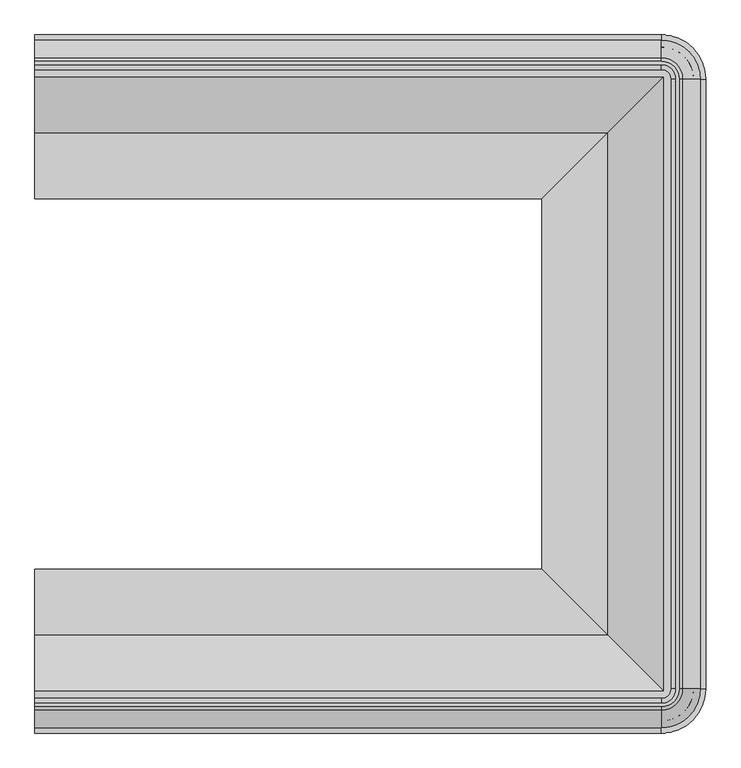
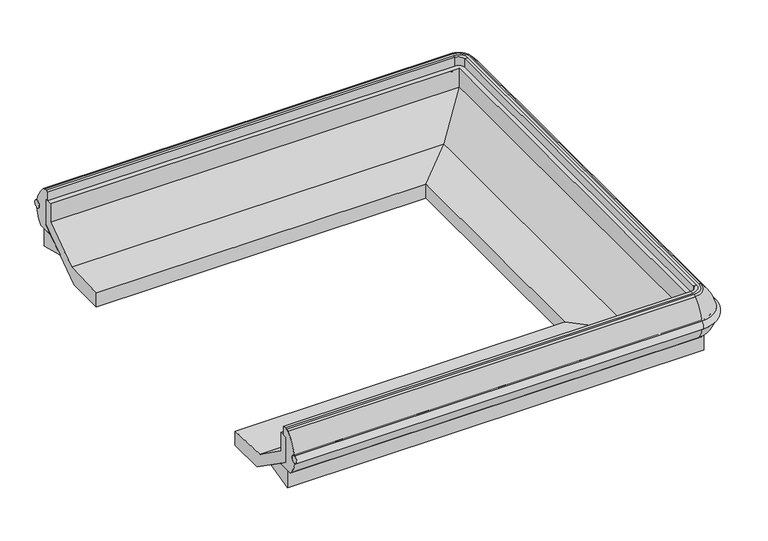
"""IFC4 building model written with IfcOpenShell, lengths in millimetres: proxy geometry."""

from ifc_helpers import new_model, si_unit, point, frame, origin, place, context, project, spatial, polyline, circle_curve, ellipse_curve, trimmed, faceted_brep, source, transform, mapped, element, save
from ifc_brep_helpers import plane_surface, cylinder_surface, revolved_surface, advanced_brep


def mechanical_equipment_f3be5561(model_context):
    return source(origin(), model_context, "Body", "SolidModel", [
        advanced_brep(
        [(0.0, -365.6059435, 602.247843), (0.0, -364.7243169, 567.3458826), (0.0, -2361.2333111, 602.247843), (0.0, -2362.1149377, 567.3458826), (1822.5002227, -365.6059435, 602.247843), (1822.5002227, -364.7243169, 567.3458826), (1935.3203104, -477.5444046, 567.3458826), (1934.4386838, -477.5444046, 602.247843), (1934.4386838, -2249.29485, 602.247843), (1935.3203104, -2249.29485, 567.3458826), (1822.5002227, -2362.1149377, 567.3458826), (1822.5002227, -2361.2333111, 602.247843)],
        [
            (0, 1, circle_curve(frame((0.0, -366.3246731, 584.7675726), z_axis=(-1.0, 0.0, 0.0), x_axis=(0.0, 1.0, 0.0)), 17.49504)),
            (1, 0, circle_curve(frame((0.0, -366.2319692, 584.7699144), z_axis=(-1.0, 0.0, 0.0), x_axis=(0.0, 1.0, 0.0)), 17.4891366)),
            (2, 3, circle_curve(frame((0.0, -2360.6072854, 584.7699144), z_axis=(-1.0, 0.0, 0.0), x_axis=(0.0, -1.0, 0.0)), 17.4891366)),
            (3, 2, circle_curve(frame((0.0, -2360.5145815, 584.7675726), z_axis=(-1.0, 0.0, 0.0), x_axis=(0.0, -1.0, 0.0)), 17.49504)),
            (0, 4),
            (4, 5, circle_curve(frame((1822.5002227, -366.3246731, 584.7675726), z_axis=(-1.0, 0.0, 0.0), x_axis=(0.0, 1.0, 0.0)), 17.49504)),
            (5, 1),
            (5, 4, circle_curve(frame((1822.5002227, -366.2319692, 584.7699144), z_axis=(-1.0, 0.0, 0.0), x_axis=(0.0, 1.0, 0.0)), 17.4891366)),
            (6, 5, circle_curve(frame((1822.5002227, -477.5444046, 567.3458826), z_axis=(0.0, 0.0, 1.0), x_axis=(0.0, 1.0, 0.0)), 112.8200877)),
            (4, 7, circle_curve(frame((1822.5002227, -477.5444046, 602.247843), z_axis=(0.0, 0.0, -1.0), x_axis=(0.0, 1.0, 0.0)), 111.9384611)),
            (7, 6, circle_curve(frame((1933.7199542, -477.5444046, 584.7675726), z_axis=(0.0, 1.0, 0.0), x_axis=(1.0, 0.0, 0.0)), 17.49504)),
            (6, 7, circle_curve(frame((1933.8126581, -477.5444046, 584.7699144), z_axis=(0.0, 1.0, 0.0), x_axis=(1.0, 0.0, 0.0)), 17.4891366)),
            (7, 8),
            (8, 9, circle_curve(frame((1933.7199542, -2249.29485, 584.7675726), z_axis=(0.0, 1.0, 0.0), x_axis=(1.0, 0.0, 0.0)), 17.49504)),
            (9, 6),
            (9, 8, circle_curve(frame((1933.8126581, -2249.29485, 584.7699144), z_axis=(0.0, 1.0, 0.0), x_axis=(1.0, 0.0, 0.0)), 17.4891366)),
            (10, 9, circle_curve(frame((1822.5002227, -2249.29485, 567.3458826), z_axis=(0.0, 0.0, 1.0), x_axis=(1.0, 0.0, 0.0)), 112.8200877)),
            (8, 11, circle_curve(frame((1822.5002227, -2249.29485, 602.247843), z_axis=(0.0, 0.0, -1.0), x_axis=(1.0, 0.0, 0.0)), 111.9384611)),
            (11, 10, circle_curve(frame((1822.5002227, -2360.5145815, 584.7675726), z_axis=(1.0, 0.0, 0.0), x_axis=(0.0, -1.0, 0.0)), 17.49504)),
            (10, 11, circle_curve(frame((1822.5002227, -2360.6072854, 584.7699144), z_axis=(1.0, 0.0, 0.0), x_axis=(0.0, -1.0, 0.0)), 17.4891366)),
            (11, 2),
            (3, 10),
        ],
        [
            plane_surface(frame((0.0, -401.3444046, 0.0), z_axis=(-1.0, 0.0, 0.0), x_axis=(0.0, 0.0, 1.0))),
            plane_surface(frame((0.0, -2325.49485, 0.0), z_axis=(-1.0, 0.0, 0.0), x_axis=(0.0, 0.0, 1.0))),
            cylinder_surface(frame((0.0, -366.3246731, 584.7675726), z_axis=(-1.0, 0.0, 0.0), x_axis=(0.0, 1.0, 0.0)), 17.49504),
            cylinder_surface(frame((0.0, -366.2319692, 584.7699144), z_axis=(-1.0, 0.0, 0.0), x_axis=(0.0, 1.0, 0.0)), 17.4891366),
            revolved_surface(trimmed(ellipse_curve(frame((1822.5002227, -366.3246731, 584.7675726), z_axis=(-1.0, 0.0, 0.0), x_axis=(0.0, 1.0, 0.0)), 17.49504, 17.49504), [point((1822.5002227, -365.6059435, 602.247843))], [point((1822.5002227, -364.7243169, 567.3458826))], True, "CARTESIAN"), (1822.5002227, -477.5444046, 0.0), (0.0, 0.0, -1.0)),
            revolved_surface(trimmed(ellipse_curve(frame((1822.5002227, -366.2319692, 584.7699144), z_axis=(-1.0, 0.0, 0.0), x_axis=(0.0, 1.0, 0.0)), 17.4891366, 17.4891366), [point((1822.5002227, -364.7243169, 567.3458826))], [point((1822.5002227, -365.6059435, 602.247843))], True, "CARTESIAN"), (1822.5002227, -477.5444046, 0.0), (0.0, 0.0, -1.0)),
            cylinder_surface(frame((1933.7199542, -477.5444046, 584.7675726), z_axis=(0.0, 1.0, 0.0), x_axis=(1.0, 0.0, 0.0)), 17.49504),
            cylinder_surface(frame((1933.8126581, -477.5444046, 584.7699144), z_axis=(0.0, 1.0, 0.0), x_axis=(1.0, 0.0, 0.0)), 17.4891366),
            revolved_surface(trimmed(ellipse_curve(frame((1933.7199542, -2249.29485, 584.7675726), z_axis=(0.0, 1.0, 0.0), x_axis=(1.0, 0.0, 0.0)), 17.49504, 17.49504), [point((1934.4386838, -2249.29485, 602.247843))], [point((1935.3203104, -2249.29485, 567.3458826))], True, "CARTESIAN"), (1822.5002227, -2249.29485, 0.0), (0.0, 0.0, -1.0)),
            revolved_surface(trimmed(ellipse_curve(frame((1933.8126581, -2249.29485, 584.7699144), z_axis=(0.0, 1.0, 0.0), x_axis=(1.0, 0.0, 0.0)), 17.4891366, 17.4891366), [point((1935.3203104, -2249.29485, 567.3458826))], [point((1934.4386838, -2249.29485, 602.247843))], True, "CARTESIAN"), (1822.5002227, -2249.29485, 0.0), (0.0, 0.0, -1.0)),
            cylinder_surface(frame((1822.5002227, -2360.5145815, 584.7675726), z_axis=(1.0, 0.0, 0.0), x_axis=(0.0, -1.0, 0.0)), 17.49504),
            cylinder_surface(frame((1822.5002227, -2360.6072854, 584.7699144), z_axis=(1.0, 0.0, 0.0), x_axis=(0.0, -1.0, 0.0)), 17.4891366),
        ],
        [
            (0, [[1, 2]]),
            (1, [[3, 4]]),
            (2, [[-1, 5, 6, 7]]),
            (3, [[-2, -7, 8, -5]]),
            (4, [[9, -6, 10, 11]]),
            (5, [[-10, -8, -9, 12]]),
            (6, [[-11, 13, 14, 15]]),
            (7, [[-12, -15, 16, -13]]),
            (8, [[17, -14, 18, 19]]),
            (9, [[-18, -16, -17, 20]]),
            (10, [[-19, 21, -4, 22]]),
            (11, [[-20, -22, -3, -21]]),
        ],
    ),
        advanced_brep(
        [(0.0, -2333.0315958, 504.5537563), (0.0, -2363.034468, 567.4500216), (0.0, -2362.8248409, 602.1178925), (0.0, -2311.7516931, 687.0777092), (0.0, -2300.9652704, 691.305018), (0.0, -2291.4402704, 691.305018), (0.0, -2277.3254027, 690.9426532), (0.0, -2277.3254027, 650.3352408), (0.0, -2294.2214353, 650.3352408), (0.0, -2294.2214353, 529.925931), (0.0, -2254.9980473, 502.405218), (0.0, -2328.2702704, 502.405218), (0.0, -393.8076588, 504.5537563), (0.0, -398.5689842, 502.405218), (0.0, -471.8412073, 502.405218), (0.0, -432.6178193, 529.925931), (0.0, -432.6178193, 650.3352408), (0.0, -449.5138519, 650.3352408), (0.0, -449.5138519, 690.9426532), (0.0, -435.3989842, 691.305018), (0.0, -425.8739842, 691.305018), (0.0, -415.0875615, 687.0777092), (0.0, -364.0144137, 602.1178925), (0.0, -363.8047866, 567.4500216), (1822.5002227, -2333.0315958, 504.5537563), (1822.5002227, -2363.034468, 567.4500216), (1822.5002227, -2362.8248409, 602.1178925), (1822.5002227, -2311.7516931, 687.0777092), (1822.5002227, -2300.9652704, 691.305018), (1874.1706431, -2249.29485, 691.305018), (1874.1706431, -477.5444046, 691.305018), (1822.5002227, -425.8739842, 691.305018), (1822.5002227, -435.3989842, 691.305018), (1864.6456431, -477.5444046, 691.305018), (1864.6456431, -2249.29485, 691.305018), (1822.5002227, -2291.4402704, 691.305018), (1822.5002227, -2277.3254027, 690.9426532), (1822.5002227, -2277.3254027, 650.3352408), (1850.5307754, -2249.29485, 650.3352408), (1850.5307754, -477.5444046, 650.3352408), (1822.5002227, -449.5138519, 650.3352408), (1822.5002227, -432.6178193, 650.3352408), (1867.426808, -477.5444046, 650.3352408), (1867.426808, -2249.29485, 650.3352408), (1822.5002227, -2294.2214353, 650.3352408), (1822.5002227, -2294.2214353, 529.925931), (1822.5002227, -2254.9980473, 502.405218), (1828.20342, -2249.29485, 502.405218), (1828.20342, -477.5444046, 502.405218), (1822.5002227, -471.8412073, 502.405218), (1822.5002227, -398.5689842, 502.405218), (1901.4756431, -477.5444046, 502.405218), (1901.4756431, -2249.29485, 502.405218), (1822.5002227, -2328.2702704, 502.405218), (1936.2398407, -2249.29485, 567.4500216), (1906.2369685, -2249.29485, 504.5537563), (1936.0302136, -2249.29485, 602.1178925), (1884.9570658, -2249.29485, 687.0777092), (1850.5307754, -2249.29485, 690.9426532), (1867.426808, -2249.29485, 529.925931), (1906.2369685, -477.5444046, 504.5537563), (1936.2398407, -477.5444046, 567.4500216), (1936.0302136, -477.5444046, 602.1178925), (1884.9570658, -477.5444046, 687.0777092), (1850.5307754, -477.5444046, 690.9426532), (1867.426808, -477.5444046, 529.925931), (1822.5002227, -363.8047866, 567.4500216), (1822.5002227, -393.8076588, 504.5537563), (1822.5002227, -364.0144137, 602.1178925), (1822.5002227, -415.0875615, 687.0777092), (1822.5002227, -449.5138519, 690.9426532), (1822.5002227, -432.6178193, 529.925931)],
        [
            (0, 1, circle_curve(frame((0.0, -2237.8050879, 588.5829906), z_axis=(-1.0, 0.0, 0.0), x_axis=(0.0, 1.0, 0.0)), 127.0)),
            (1, 2, circle_curve(frame((0.0, -2360.6072854, 584.7699144), z_axis=(1.0, 0.0, 0.0), x_axis=(0.0, 1.0, 0.0)), 17.4891366)),
            (2, 3, circle_curve(frame((0.0, -2190.9437587, 556.623568), z_axis=(-1.0, 0.0, 0.0), x_axis=(0.0, 1.0, 0.0)), 177.7999999)),
            (3, 4, circle_curve(frame((0.0, -2300.9652704, 675.430018), z_axis=(-1.0, 0.0, 0.0), x_axis=(0.0, 1.0, 0.0)), 15.875)),
            (4, 5),
            (5, 6),
            (6, 7),
            (7, 8),
            (8, 9),
            (9, 10),
            (10, 11),
            (11, 0, circle_curve(frame((0.0, -2328.2702704, 508.755218), z_axis=(-1.0, 0.0, 0.0), x_axis=(0.0, 1.0, 0.0)), 6.35)),
            (12, 13, circle_curve(frame((0.0, -398.5689842, 508.755218), z_axis=(-1.0, 0.0, 0.0), x_axis=(0.0, -1.0, 0.0)), 6.35)),
            (13, 14),
            (14, 15),
            (15, 16),
            (16, 17),
            (17, 18),
            (18, 19),
            (19, 20),
            (20, 21, circle_curve(frame((0.0, -425.8739842, 675.430018), z_axis=(-1.0, 0.0, 0.0), x_axis=(0.0, -1.0, 0.0)), 15.875)),
            (21, 22, circle_curve(frame((0.0, -535.8954959, 556.623568), z_axis=(-1.0, 0.0, 0.0), x_axis=(0.0, -1.0, 0.0)), 177.7999999)),
            (22, 23, circle_curve(frame((0.0, -366.2319692, 584.7699144), z_axis=(1.0, 0.0, 0.0), x_axis=(0.0, -1.0, 0.0)), 17.4891366)),
            (23, 12, circle_curve(frame((0.0, -489.0341667, 588.5829906), z_axis=(-1.0, 0.0, 0.0), x_axis=(0.0, -1.0, 0.0)), 127.0)),
            (0, 24),
            (24, 25, circle_curve(frame((1822.5002227, -2237.8050879, 588.5829906), z_axis=(-1.0, 0.0, 0.0), x_axis=(0.0, 1.0, 0.0)), 127.0)),
            (25, 1),
            (25, 26, circle_curve(frame((1822.5002227, -2360.6072854, 584.7699144), z_axis=(1.0, 0.0, 0.0), x_axis=(0.0, 1.0, 0.0)), 17.4891366)),
            (26, 2),
            (26, 27, circle_curve(frame((1822.5002227, -2190.9437587, 556.623568), z_axis=(-1.0, 0.0, 0.0), x_axis=(0.0, 1.0, 0.0)), 177.7999999)),
            (27, 3),
            (27, 28, circle_curve(frame((1822.5002227, -2300.9652704, 675.430018), z_axis=(-1.0, 0.0, 0.0), x_axis=(0.0, 1.0, 0.0)), 15.875)),
            (28, 4),
            (28, 29, circle_curve(frame((1822.5002227, -2249.29485, 691.305018), z_axis=(0.0, 0.0, 1.0), x_axis=(0.0, -1.0, 0.0)), 51.6704204)),
            (29, 30),
            (30, 31, circle_curve(frame((1822.5002227, -477.5444046, 691.305018), z_axis=(0.0, 0.0, 1.0), x_axis=(1.0, 0.0, 0.0)), 51.6704204)),
            (31, 20),
            (19, 32),
            (32, 33, circle_curve(frame((1822.5002227, -477.5444046, 691.305018), z_axis=(0.0, 0.0, -1.0), x_axis=(1.0, 0.0, 0.0)), 42.1454204)),
            (33, 34),
            (34, 35, circle_curve(frame((1822.5002227, -2249.29485, 691.305018), z_axis=(0.0, 0.0, -1.0), x_axis=(0.0, -1.0, 0.0)), 42.1454204)),
            (35, 5),
            (35, 36),
            (36, 6),
            (36, 37),
            (37, 7),
            (37, 38, circle_curve(frame((1822.5002227, -2249.29485, 650.3352408), z_axis=(0.0, 0.0, 1.0), x_axis=(0.0, -1.0, 0.0)), 28.0305527)),
            (38, 39),
            (39, 40, circle_curve(frame((1822.5002227, -477.5444046, 650.3352408), z_axis=(0.0, 0.0, 1.0), x_axis=(1.0, 0.0, 0.0)), 28.0305527)),
            (40, 17),
            (16, 41),
            (41, 42, circle_curve(frame((1822.5002227, -477.5444046, 650.3352408), z_axis=(0.0, 0.0, -1.0), x_axis=(1.0, 0.0, 0.0)), 44.9265852)),
            (42, 43),
            (43, 44, circle_curve(frame((1822.5002227, -2249.29485, 650.3352408), z_axis=(0.0, 0.0, -1.0), x_axis=(0.0, -1.0, 0.0)), 44.9265852)),
            (44, 8),
            (44, 45),
            (45, 9),
            (45, 46),
            (46, 10),
            (46, 47, circle_curve(frame((1822.5002227, -2249.29485, 502.405218), z_axis=(0.0, 0.0, 1.0), x_axis=(0.0, -1.0, 0.0)), 5.7031973)),
            (47, 48),
            (48, 49, circle_curve(frame((1822.5002227, -477.5444046, 502.405218), z_axis=(0.0, 0.0, 1.0), x_axis=(1.0, 0.0, 0.0)), 5.7031973)),
            (49, 14),
            (13, 50),
            (50, 51, circle_curve(frame((1822.5002227, -477.5444046, 502.405218), z_axis=(0.0, 0.0, -1.0), x_axis=(1.0, 0.0, 0.0)), 78.9754204)),
            (51, 52),
            (52, 53, circle_curve(frame((1822.5002227, -2249.29485, 502.405218), z_axis=(0.0, 0.0, -1.0), x_axis=(0.0, -1.0, 0.0)), 78.9754204)),
            (53, 11),
            (53, 24, circle_curve(frame((1822.5002227, -2328.2702704, 508.755218), z_axis=(-1.0, 0.0, 0.0), x_axis=(0.0, 1.0, 0.0)), 6.35)),
            (54, 25, circle_curve(frame((1822.5002227, -2249.29485, 567.4500216), z_axis=(0.0, 0.0, -1.0), x_axis=(0.0, -1.0, 0.0)), 113.739618)),
            (24, 55, circle_curve(frame((1822.5002227, -2249.29485, 504.5537563), z_axis=(0.0, 0.0, 1.0), x_axis=(0.0, -1.0, 0.0)), 83.7367458)),
            (55, 54, circle_curve(frame((1811.0104606, -2249.29485, 588.5829906), z_axis=(0.0, -1.0, 0.0), x_axis=(-1.0, 0.0, 0.0)), 127.0)),
            (56, 26, circle_curve(frame((1822.5002227, -2249.29485, 602.1178925), z_axis=(0.0, 0.0, -1.0), x_axis=(0.0, -1.0, 0.0)), 113.5299909)),
            (54, 56, circle_curve(frame((1933.8126581, -2249.29485, 584.7699144), z_axis=(0.0, 1.0, 0.0), x_axis=(-1.0, 0.0, 0.0)), 17.4891366)),
            (57, 27, circle_curve(frame((1822.5002227, -2249.29485, 687.0777092), z_axis=(0.0, 0.0, -1.0), x_axis=(0.0, -1.0, 0.0)), 62.4568431)),
            (56, 57, circle_curve(frame((1764.1491314, -2249.29485, 556.623568), z_axis=(0.0, -1.0, 0.0), x_axis=(-1.0, 0.0, 0.0)), 177.7999999)),
            (57, 29, circle_curve(frame((1874.1706431, -2249.29485, 675.430018), z_axis=(0.0, -1.0, 0.0), x_axis=(-1.0, 0.0, 0.0)), 15.875)),
            (58, 36, circle_curve(frame((1822.5002227, -2249.29485, 690.9426532), z_axis=(0.0, 0.0, -1.0), x_axis=(0.0, -1.0, 0.0)), 28.0305527)),
            (34, 58),
            (58, 38),
            (59, 45, circle_curve(frame((1822.5002227, -2249.29485, 529.925931), z_axis=(0.0, 0.0, -1.0), x_axis=(0.0, -1.0, 0.0)), 44.9265852)),
            (43, 59),
            (59, 47),
            (52, 55, circle_curve(frame((1901.4756431, -2249.29485, 508.755218), z_axis=(0.0, -1.0, 0.0), x_axis=(-1.0, 0.0, 0.0)), 6.35)),
            (55, 60),
            (60, 61, circle_curve(frame((1811.0104606, -477.5444046, 588.5829906), z_axis=(0.0, -1.0, 0.0), x_axis=(-1.0, 0.0, 0.0)), 127.0)),
            (61, 54),
            (61, 62, circle_curve(frame((1933.8126581, -477.5444046, 584.7699144), z_axis=(0.0, 1.0, 0.0), x_axis=(-1.0, 0.0, 0.0)), 17.4891366)),
            (62, 56),
            (62, 63, circle_curve(frame((1764.1491314, -477.5444046, 556.623568), z_axis=(0.0, -1.0, 0.0), x_axis=(-1.0, 0.0, 0.0)), 177.7999999)),
            (63, 57),
            (63, 30, circle_curve(frame((1874.1706431, -477.5444046, 675.430018), z_axis=(0.0, -1.0, 0.0), x_axis=(-1.0, 0.0, 0.0)), 15.875)),
            (33, 64),
            (64, 58),
            (64, 39),
            (42, 65),
            (65, 59),
            (65, 48),
            (51, 60, circle_curve(frame((1901.4756431, -477.5444046, 508.755218), z_axis=(0.0, -1.0, 0.0), x_axis=(-1.0, 0.0, 0.0)), 6.35)),
            (66, 61, circle_curve(frame((1822.5002227, -477.5444046, 567.4500216), z_axis=(0.0, 0.0, -1.0), x_axis=(1.0, 0.0, 0.0)), 113.739618)),
            (60, 67, circle_curve(frame((1822.5002227, -477.5444046, 504.5537563), z_axis=(0.0, 0.0, 1.0), x_axis=(1.0, 0.0, 0.0)), 83.7367458)),
            (67, 66, circle_curve(frame((1822.5002227, -489.0341667, 588.5829906), z_axis=(1.0, 0.0, 0.0), x_axis=(0.0, -1.0, 0.0)), 127.0)),
            (68, 62, circle_curve(frame((1822.5002227, -477.5444046, 602.1178925), z_axis=(0.0, 0.0, -1.0), x_axis=(1.0, 0.0, 0.0)), 113.5299909)),
            (66, 68, circle_curve(frame((1822.5002227, -366.2319692, 584.7699144), z_axis=(-1.0, 0.0, 0.0), x_axis=(0.0, -1.0, 0.0)), 17.4891366)),
            (69, 63, circle_curve(frame((1822.5002227, -477.5444046, 687.0777092), z_axis=(0.0, 0.0, -1.0), x_axis=(1.0, 0.0, 0.0)), 62.4568431)),
            (68, 69, circle_curve(frame((1822.5002227, -535.8954959, 556.623568), z_axis=(1.0, 0.0, 0.0), x_axis=(0.0, -1.0, 0.0)), 177.7999999)),
            (69, 31, circle_curve(frame((1822.5002227, -425.8739842, 675.430018), z_axis=(1.0, 0.0, 0.0), x_axis=(0.0, -1.0, 0.0)), 15.875)),
            (70, 64, circle_curve(frame((1822.5002227, -477.5444046, 690.9426532), z_axis=(0.0, 0.0, -1.0), x_axis=(1.0, 0.0, 0.0)), 28.0305527)),
            (32, 70),
            (70, 40),
            (71, 65, circle_curve(frame((1822.5002227, -477.5444046, 529.925931), z_axis=(0.0, 0.0, -1.0), x_axis=(1.0, 0.0, 0.0)), 44.9265852)),
            (41, 71),
            (71, 49),
            (50, 67, circle_curve(frame((1822.5002227, -398.5689842, 508.755218), z_axis=(1.0, 0.0, 0.0), x_axis=(0.0, -1.0, 0.0)), 6.35)),
            (67, 12),
            (23, 66),
            (22, 68),
            (21, 69),
            (18, 70),
            (15, 71),
        ],
        [
            plane_surface(frame((0.0, -2325.49485, 0.0), z_axis=(-1.0, 0.0, 0.0), x_axis=(0.0, 0.0, 1.0))),
            plane_surface(frame((0.0, -401.3444046, 0.0), z_axis=(-1.0, 0.0, 0.0), x_axis=(0.0, 0.0, 1.0))),
            cylinder_surface(frame((0.0, -2237.8050879, 588.5829906), z_axis=(-1.0, 0.0, 0.0), x_axis=(0.0, 1.0, 0.0)), 127.0),
            revolved_surface(polyline([(1822.5002227, -2343.1181487999997, 584.7699144), (0.0, -2343.1181487999997, 584.7699144)]), (0.0, -2360.6072854, 584.7699144), (1.0, 0.0, 0.0)),
            cylinder_surface(frame((0.0, -2190.9437587, 556.623568), z_axis=(-1.0, 0.0, 0.0), x_axis=(0.0, 1.0, 0.0)), 177.7999999),
            cylinder_surface(frame((0.0, -2300.9652704, 675.430018), z_axis=(-1.0, 0.0, 0.0), x_axis=(0.0, 1.0, 0.0)), 15.875),
            plane_surface(frame((0.0, -2300.9652704, 691.305018), z_axis=(0.0, 0.0, 1.0), x_axis=(1.0, 0.0, 0.0))),
            plane_surface(frame((0.0, -2291.4402704, 691.305018), z_axis=(0.0, 0.025664107244576673, 0.9996706225549188), x_axis=(1.0, 0.0, 0.0))),
            plane_surface(frame((0.0, -2277.3254027, 690.9426532), z_axis=(0.0, 1.0, 0.0), x_axis=(1.0, 0.0, 0.0))),
            plane_surface(frame((0.0, -2277.3254027, 650.3352408), z_axis=(0.0, 0.0, -1.0), x_axis=(1.0, 0.0, 0.0))),
            plane_surface(frame((0.0, -2294.2214353, 650.3352408), z_axis=(0.0, 1.0, 0.0), x_axis=(1.0, 0.0, 0.0))),
            plane_surface(frame((0.0, -2294.2214353, 529.925931), z_axis=(0.0, 0.5743632182498677, 0.8186005701938247), x_axis=(1.0, 0.0, 0.0))),
            plane_surface(frame((0.0, -2254.9980473, 502.405218), z_axis=(0.0, 0.0, -1.0), x_axis=(1.0, 0.0, 0.0))),
            cylinder_surface(frame((0.0, -2328.2702704, 508.755218), z_axis=(-1.0, 0.0, 0.0), x_axis=(0.0, 1.0, 0.0)), 6.35),
            revolved_surface(trimmed(ellipse_curve(frame((1822.5002227, -2237.8050879, 588.5829906), z_axis=(-1.0, 0.0, 0.0), x_axis=(0.0, 1.0, 0.0)), 127.0, 127.0), [point((1822.5002227, -2333.0315958, 504.5537563))], [point((1822.5002227, -2363.034468, 567.4500216))], True, "CARTESIAN"), (1822.5002227, -2249.29485, 0.0), (0.0, 0.0, 1.0)),
            revolved_surface(trimmed(ellipse_curve(frame((1822.5002227, -2360.6072854, 584.7699144), z_axis=(1.0, 0.0, 0.0), x_axis=(0.0, 1.0, 0.0)), 17.4891366, 17.4891366), [point((1822.5002227, -2363.034468, 567.4500216))], [point((1822.5002227, -2362.8248409, 602.1178925))], True, "CARTESIAN"), (1822.5002227, -2249.29485, 0.0), (0.0, 0.0, 1.0)),
            revolved_surface(trimmed(ellipse_curve(frame((1822.5002227, -2190.9437587, 556.623568), z_axis=(-1.0, 0.0, 0.0), x_axis=(0.0, 1.0, 0.0)), 177.7999999, 177.7999999), [point((1822.5002227, -2362.8248409, 602.1178925))], [point((1822.5002227, -2311.7516931, 687.0777092))], True, "CARTESIAN"), (1822.5002227, -2249.29485, 0.0), (0.0, 0.0, 1.0)),
            revolved_surface(trimmed(ellipse_curve(frame((1822.5002227, -2300.9652704, 675.430018), z_axis=(-1.0, 0.0, 0.0), x_axis=(0.0, 1.0, 0.0)), 15.875, 15.875), [point((1822.5002227, -2311.7516931, 687.0777092))], [point((1822.5002227, -2300.9652704, 691.305018))], True, "CARTESIAN"), (1822.5002227, -2249.29485, 0.0), (0.0, 0.0, 1.0)),
            revolved_surface(polyline([(1822.5002227, -2291.4402704, 691.305018), (1822.5002227, -2277.3254027, 690.9426532)]), (1822.5002227, -2249.29485, 0.0), (0.0, 0.0, 1.0)),
            revolved_surface(polyline([(1822.5002227, -2277.3254027000003, 690.9426532), (1822.5002227, -2277.3254027000003, 650.3352408)]), (1822.5002227, -2249.29485, 0.0), (0.0, 0.0, 1.0)),
            revolved_surface(polyline([(1822.5002227, -2294.2214352, 650.3352408), (1822.5002227, -2294.2214352, 529.925931)]), (1822.5002227, -2249.29485, 0.0), (0.0, 0.0, 1.0)),
            revolved_surface(polyline([(1822.5002227, -2294.2214353, 529.925931), (1822.5002227, -2254.9980473, 502.405218)]), (1822.5002227, -2249.29485, 0.0), (0.0, 0.0, 1.0)),
            revolved_surface(trimmed(ellipse_curve(frame((1822.5002227, -2328.2702704, 508.755218), z_axis=(-1.0, 0.0, 0.0), x_axis=(0.0, 1.0, 0.0)), 6.35, 6.35), [point((1822.5002227, -2328.2702704, 502.405218))], [point((1822.5002227, -2333.0315958, 504.5537563))], True, "CARTESIAN"), (1822.5002227, -2249.29485, 0.0), (0.0, 0.0, 1.0)),
            cylinder_surface(frame((1811.0104606, -2249.29485, 588.5829906), z_axis=(0.0, -1.0, 0.0), x_axis=(-1.0, 0.0, 0.0)), 127.0),
            revolved_surface(polyline([(1916.3235215, -477.5444046, 584.7699144), (1916.3235215, -2249.29485, 584.7699144)]), (1933.8126581, -2249.29485, 584.7699144), (0.0, 1.0, 0.0)),
            cylinder_surface(frame((1764.1491314, -2249.29485, 556.623568), z_axis=(0.0, -1.0, 0.0), x_axis=(-1.0, 0.0, 0.0)), 177.7999999),
            cylinder_surface(frame((1874.1706431, -2249.29485, 675.430018), z_axis=(0.0, -1.0, 0.0), x_axis=(-1.0, 0.0, 0.0)), 15.875),
            plane_surface(frame((1864.6456431, -2249.29485, 691.305018), z_axis=(-0.025664107244576673, 0.0, 0.9996706225549188), x_axis=(0.0, 1.0, 0.0))),
            plane_surface(frame((1850.5307754, -2249.29485, 690.9426532), z_axis=(-1.0, 0.0, 0.0), x_axis=(0.0, 1.0, 0.0))),
            plane_surface(frame((1867.426808, -2249.29485, 650.3352408), z_axis=(-1.0, 0.0, 0.0), x_axis=(0.0, 1.0, 0.0))),
            plane_surface(frame((1867.426808, -2249.29485, 529.925931), z_axis=(-0.5743632182498677, 0.0, 0.8186005701938247), x_axis=(0.0, 1.0, 0.0))),
            cylinder_surface(frame((1901.4756431, -2249.29485, 508.755218), z_axis=(0.0, -1.0, 0.0), x_axis=(-1.0, 0.0, 0.0)), 6.35),
            revolved_surface(trimmed(ellipse_curve(frame((1811.0104606, -477.5444046, 588.5829906), z_axis=(0.0, -1.0, 0.0), x_axis=(-1.0, 0.0, 0.0)), 127.0, 127.0), [point((1906.2369685, -477.5444046, 504.5537563))], [point((1936.2398407, -477.5444046, 567.4500216))], True, "CARTESIAN"), (1822.5002227, -477.5444046, 0.0), (0.0, 0.0, 1.0)),
            revolved_surface(trimmed(ellipse_curve(frame((1933.8126581, -477.5444046, 584.7699144), z_axis=(0.0, 1.0, 0.0), x_axis=(-1.0, 0.0, 0.0)), 17.4891366, 17.4891366), [point((1936.2398407, -477.5444046, 567.4500216))], [point((1936.0302136, -477.5444046, 602.1178925))], True, "CARTESIAN"), (1822.5002227, -477.5444046, 0.0), (0.0, 0.0, 1.0)),
            revolved_surface(trimmed(ellipse_curve(frame((1764.1491314, -477.5444046, 556.623568), z_axis=(0.0, -1.0, 0.0), x_axis=(-1.0, 0.0, 0.0)), 177.7999999, 177.7999999), [point((1936.0302136, -477.5444046, 602.1178925))], [point((1884.9570658, -477.5444046, 687.0777092))], True, "CARTESIAN"), (1822.5002227, -477.5444046, 0.0), (0.0, 0.0, 1.0)),
            revolved_surface(trimmed(ellipse_curve(frame((1874.1706431, -477.5444046, 675.430018), z_axis=(0.0, -1.0, 0.0), x_axis=(-1.0, 0.0, 0.0)), 15.875, 15.875), [point((1884.9570658, -477.5444046, 687.0777092))], [point((1874.1706431, -477.5444046, 691.305018))], True, "CARTESIAN"), (1822.5002227, -477.5444046, 0.0), (0.0, 0.0, 1.0)),
            revolved_surface(polyline([(1864.6456431, -477.5444046, 691.305018), (1850.5307754, -477.5444046, 690.9426532)]), (1822.5002227, -477.5444046, 0.0), (0.0, 0.0, 1.0)),
            revolved_surface(polyline([(1850.5307754, -477.5444046, 690.9426532), (1850.5307754, -477.5444046, 650.3352408)]), (1822.5002227, -477.5444046, 0.0), (0.0, 0.0, 1.0)),
            revolved_surface(polyline([(1867.4268079, -477.5444046, 650.3352408), (1867.4268079, -477.5444046, 529.925931)]), (1822.5002227, -477.5444046, 0.0), (0.0, 0.0, 1.0)),
            revolved_surface(polyline([(1867.426808, -477.5444046, 529.925931), (1828.20342, -477.5444046, 502.405218)]), (1822.5002227, -477.5444046, 0.0), (0.0, 0.0, 1.0)),
            revolved_surface(trimmed(ellipse_curve(frame((1901.4756431, -477.5444046, 508.755218), z_axis=(0.0, -1.0, 0.0), x_axis=(-1.0, 0.0, 0.0)), 6.35, 6.35), [point((1901.4756431, -477.5444046, 502.405218))], [point((1906.2369685, -477.5444046, 504.5537563))], True, "CARTESIAN"), (1822.5002227, -477.5444046, 0.0), (0.0, 0.0, 1.0)),
            cylinder_surface(frame((1822.5002227, -489.0341667, 588.5829906), z_axis=(1.0, 0.0, 0.0), x_axis=(0.0, -1.0, 0.0)), 127.0),
            revolved_surface(polyline([(0.0, -383.7211058, 584.7699144), (1822.5002227, -383.7211058, 584.7699144)]), (1822.5002227, -366.2319692, 584.7699144), (-1.0, 0.0, 0.0)),
            cylinder_surface(frame((1822.5002227, -535.8954959, 556.623568), z_axis=(1.0, 0.0, 0.0), x_axis=(0.0, -1.0, 0.0)), 177.7999999),
            cylinder_surface(frame((1822.5002227, -425.8739842, 675.430018), z_axis=(1.0, 0.0, 0.0), x_axis=(0.0, -1.0, 0.0)), 15.875),
            plane_surface(frame((1822.5002227, -435.3989842, 691.305018), z_axis=(0.0, -0.025664107244576673, 0.9996706225549188), x_axis=(-1.0, 0.0, 0.0))),
            plane_surface(frame((1822.5002227, -449.5138519, 690.9426532), z_axis=(0.0, -1.0, 0.0), x_axis=(-1.0, 0.0, 0.0))),
            plane_surface(frame((1822.5002227, -432.6178193, 650.3352408), z_axis=(0.0, -1.0, 0.0), x_axis=(-1.0, 0.0, 0.0))),
            plane_surface(frame((1822.5002227, -432.6178193, 529.925931), z_axis=(0.0, -0.5743632182498677, 0.8186005701938247), x_axis=(-1.0, 0.0, 0.0))),
            cylinder_surface(frame((1822.5002227, -398.5689842, 508.755218), z_axis=(1.0, 0.0, 0.0), x_axis=(0.0, -1.0, 0.0)), 6.35),
        ],
        [
            (0, [[1, 2, 3, 4, 5, 6, 7, 8, 9, 10, 11, 12]]),
            (1, [[13, 14, 15, 16, 17, 18, 19, 20, 21, 22, 23, 24]]),
            (2, [[-1, 25, 26, 27]]),
            (3, [[-2, -27, 28, 29]]),
            (4, [[-3, -29, 30, 31]]),
            (5, [[-4, -31, 32, 33]]),
            (6, [[-5, -33, 34, 35, 36, 37, -20, 38, 39, 40, 41, 42]]),
            (7, [[-6, -42, 43, 44]]),
            (8, [[-7, -44, 45, 46]]),
            (9, [[-8, -46, 47, 48, 49, 50, -17, 51, 52, 53, 54, 55]]),
            (10, [[-9, -55, 56, 57]]),
            (11, [[-10, -57, 58, 59]]),
            (12, [[-11, -59, 60, 61, 62, 63, -14, 64, 65, 66, 67, 68]]),
            (13, [[-12, -68, 69, -25]]),
            (14, [[70, -26, 71, 72]]),
            (15, [[73, -28, -70, 74]]),
            (16, [[75, -30, -73, 76]]),
            (17, [[-34, -32, -75, 77]]),
            (18, [[78, -43, -41, 79]]),
            (19, [[-47, -45, -78, 80]]),
            (20, [[81, -56, -54, 82]]),
            (21, [[-60, -58, -81, 83]]),
            (22, [[-71, -69, -67, 84]]),
            (23, [[-72, 85, 86, 87]]),
            (24, [[-74, -87, 88, 89]]),
            (25, [[-76, -89, 90, 91]]),
            (26, [[-77, -91, 92, -35]]),
            (27, [[-79, -40, 93, 94]]),
            (28, [[-80, -94, 95, -48]]),
            (29, [[-82, -53, 96, 97]]),
            (30, [[-83, -97, 98, -61]]),
            (31, [[-84, -66, 99, -85]]),
            (32, [[100, -86, 101, 102]]),
            (33, [[103, -88, -100, 104]]),
            (34, [[105, -90, -103, 106]]),
            (35, [[-36, -92, -105, 107]]),
            (36, [[108, -93, -39, 109]]),
            (37, [[-49, -95, -108, 110]]),
            (38, [[111, -96, -52, 112]]),
            (39, [[-62, -98, -111, 113]]),
            (40, [[-101, -99, -65, 114]]),
            (41, [[-102, 115, -24, 116]]),
            (42, [[-104, -116, -23, 117]]),
            (43, [[-106, -117, -22, 118]]),
            (44, [[-107, -118, -21, -37]]),
            (45, [[-109, -38, -19, 119]]),
            (46, [[-110, -119, -18, -50]]),
            (47, [[-112, -51, -16, 120]]),
            (48, [[-113, -120, -15, -63]]),
            (49, [[-114, -64, -13, -115]]),
        ],
    ),
        faceted_brep([(0.0, -2255.4277812, 502.405218), (0.0, -2181.4705446, 450.5138342), (0.0, -2306.659561, 418.2976265), (0.0, -2306.659561, 502.405218), (1864.445373, -2306.659561, 502.405218), (1864.445373, -420.1796936, 502.405218), (0.0, -420.1796936, 502.405218), (0.0, -471.4114734, 502.405218), (1813.2135932, -471.4114734, 502.405218), (1813.2135932, -2255.4277812, 502.405218), (1739.2563566, -2181.4705446, 450.5138342), (1864.445373, -2306.659561, 418.2976265), (1739.2563566, -545.36871, 450.5138342), (1864.445373, -420.1796936, 418.2976265), (0.0, -420.1796936, 418.2976265), (0.0, -545.36871, 450.5138342)], [[[0, 1, 2, 3]], [[0, 3, 4, 5, 6, 7, 8, 9]], [[1, 0, 9, 10]], [[2, 1, 10, 11]], [[10, 9, 8, 12]], [[11, 10, 12, 13]], [[7, 6, 14, 15]], [[12, 8, 7, 15]], [[13, 12, 15, 14]], [[3, 2, 11, 4]], [[4, 11, 13, 5]], [[5, 13, 14, 6]]]),
        faceted_brep([(0.0, -2072.917282, 374.65), (0.0, -2294.2214353, 529.925931), (0.0, -2294.2214353, 650.3352408), (0.0, -2255.8801353, 650.3352408), (0.0, -2255.8801353, 561.4683528), (0.0, -2093.1642244, 447.5334174), (0.0, -1901.8970159, 440.5122096), (0.0, -1901.8970159, 374.65), (1646.1226548, -2072.917282, 374.65), (1867.426808, -2294.2214353, 529.925931), (1867.426808, -2294.2214353, 650.3352408), (1867.426808, -432.6178193, 650.3352408), (0.0, -432.6178193, 650.3352408), (0.0, -470.9591193, 650.3352408), (1829.085508, -470.9591193, 650.3352408), (1829.085508, -2255.8801353, 650.3352408), (1829.085508, -2255.8801353, 561.4683528), (1666.3695971, -2093.1642244, 447.5334174), (1475.1023886, -1901.8970159, 440.5122096), (1475.1023886, -1901.8970159, 374.65), (1475.1023886, -824.9422387, 374.65), (0.0, -824.9422387, 374.65), (0.0, -653.9219725, 374.65), (1646.1226548, -653.9219725, 374.65), (1867.426808, -432.6178193, 529.925931), (1829.085508, -470.9591193, 561.4683528), (1666.3695971, -633.6750302, 447.5334174), (1475.1023886, -824.9422387, 440.5122096), (0.0, -824.9422387, 440.5122096), (0.0, -633.6750302, 447.5334174), (0.0, -470.9591193, 561.4683528), (0.0, -432.6178193, 529.925931)], [[[0, 1, 2, 3, 4, 5, 6, 7]], [[1, 0, 8, 9]], [[2, 1, 9, 10]], [[3, 2, 10, 11, 12, 13, 14, 15]], [[4, 3, 15, 16]], [[5, 4, 16, 17]], [[6, 5, 17, 18]], [[7, 6, 18, 19]], [[0, 7, 19, 20, 21, 22, 23, 8]], [[9, 8, 23, 24]], [[10, 9, 24, 11]], [[16, 15, 14, 25]], [[17, 16, 25, 26]], [[18, 17, 26, 27]], [[19, 18, 27, 20]], [[22, 21, 28, 29, 30, 13, 12, 31]], [[24, 23, 22, 31]], [[11, 24, 31, 12]], [[25, 14, 13, 30]], [[26, 25, 30, 29]], [[27, 26, 29, 28]], [[20, 27, 28, 21]]]),
    ])


if __name__ == "__main__":
    model = new_model("IFC4")
    model_context = context("Model", 3, world=origin())
    ifc_project = project(units=[si_unit("LENGTHUNIT", "METRE", prefix="MILLI")], contexts=[model_context])
    site = spatial("IfcSite", under=ifc_project)
    building = spatial("IfcBuilding", under=site)
    placement = place(None, origin())
    mechanical_equipment_shape = mechanical_equipment_f3be5561(model_context)
    element("IfcBuildingElementProxy", 1, Name="Mechanical Equipment", at=placement, inside=building, context=model_context, shape_type="MappedRepresentation", body=[
        mapped(mechanical_equipment_shape, transform((0.0, 0.0, 0.0), x_axis=(1.0, 0.0, 0.0), y_axis=(0.0, 1.0, 0.0), z_axis=(0.0, 0.0, 1.0))),
    ])
    save(model, "model.ifc")
